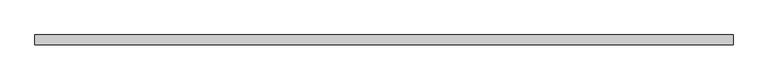
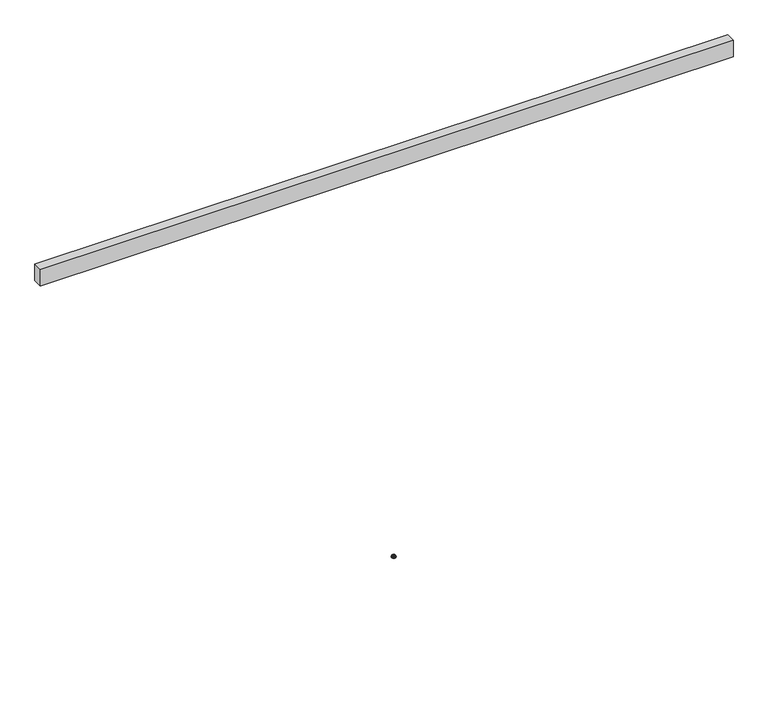
"""IFC4 building model written with IfcOpenShell, lengths in millimetres: furniture geometry."""

from ifc_helpers import new_model, si_unit, frame, origin, place, context, project, spatial, polyline, circle_curve, outline, extrude, source, transform, mapped, element, save
from ifc_brep_helpers import plane_surface, cylinder_surface, revolved_surface, advanced_brep


def furniture_261a2e32(model_context):
    return source(origin(), model_context, "Body", "SolidModel", [
        advanced_brep(
        [(1892.0959925, 0.0, 8.6192084), (1875.6638075, 0.0, 8.6192084), (1877.1725817, 0.0, 8.6192084), (1890.5872183, 0.0, 8.6192084), (1893.7417074, 0.0, 7.9542964), (1874.0180926, 0.0, 7.9542964), (1894.7683395, 0.0, 6.9276644), (1872.9914605, 0.0, 6.9276644), (1895.1290185, 0.0, 5.5815918), (1872.6307815, 0.0, 5.5815918), (1895.1290185, 0.0, 3.5917842), (1872.6307815, 0.0, 3.5917842), (1894.3310956, 0.0, 1.6168555), (1873.4287044, 0.0, 1.6168555), (1892.4778049, 0.0, 0.5457096), (1875.2819951, 0.0, 0.5457096), (1887.7755655, 0.0, 0.1343169), (1879.9842345, 0.0, 0.1343169), (1883.8799, 0.0, 0.1343169), (1890.5872183, 0.0, 12.2513995), (1877.1725817, 0.0, 12.2513995), (1883.8799, 0.0, 12.2513995)],
        [
            (0, 1, circle_curve(frame((1883.8799, 0.0, 8.6192084), z_axis=(0.0, 0.0, 1.0), x_axis=(-1.0, 0.0, 0.0)), 8.2160925)),
            (1, 2),
            (2, 3, circle_curve(frame((1883.8799, 0.0, 8.6192084), z_axis=(0.0, 0.0, -1.0), x_axis=(-1.0, 0.0, 0.0)), 6.7073183)),
            (3, 0),
            (1, 0, circle_curve(frame((1883.8799, 0.0, 8.6192084), z_axis=(0.0, 0.0, 1.0), x_axis=(-1.0, 0.0, 0.0)), 8.2160925)),
            (3, 2, circle_curve(frame((1883.8799, 0.0, 8.6192084), z_axis=(0.0, 0.0, -1.0), x_axis=(-1.0, 0.0, 0.0)), 6.7073183)),
            (4, 5, circle_curve(frame((1883.8799, 0.0, 7.9542964), z_axis=(0.0, 0.0, 1.0), x_axis=(-1.0, 0.0, 0.0)), 9.8618074)),
            (5, 1),
            (0, 4),
            (5, 4, circle_curve(frame((1883.8799, 0.0, 7.9542964), z_axis=(0.0, 0.0, 1.0), x_axis=(-1.0, 0.0, 0.0)), 9.8618074)),
            (6, 7, circle_curve(frame((1883.8799, 0.0, 6.9276644), z_axis=(0.0, 0.0, 1.0), x_axis=(-1.0, 0.0, 0.0)), 10.8884395)),
            (7, 5),
            (4, 6),
            (7, 6, circle_curve(frame((1883.8799, 0.0, 6.9276644), z_axis=(0.0, 0.0, 1.0), x_axis=(-1.0, 0.0, 0.0)), 10.8884395)),
            (8, 9, circle_curve(frame((1883.8799, 0.0, 5.5815918), z_axis=(0.0, 0.0, 1.0), x_axis=(-1.0, 0.0, 0.0)), 11.2491185)),
            (9, 7),
            (6, 8),
            (9, 8, circle_curve(frame((1883.8799, 0.0, 5.5815918), z_axis=(0.0, 0.0, 1.0), x_axis=(-1.0, 0.0, 0.0)), 11.2491185)),
            (10, 11, circle_curve(frame((1883.8799, 0.0, 3.5917842), z_axis=(0.0, 0.0, 1.0), x_axis=(-1.0, 0.0, 0.0)), 11.2491185)),
            (11, 9),
            (8, 10),
            (11, 10, circle_curve(frame((1883.8799, 0.0, 3.5917842), z_axis=(0.0, 0.0, 1.0), x_axis=(-1.0, 0.0, 0.0)), 11.2491185)),
            (12, 13, circle_curve(frame((1883.8799, 0.0, 1.6168555), z_axis=(0.0, 0.0, 1.0), x_axis=(-1.0, 0.0, 0.0)), 10.4511956)),
            (13, 11),
            (10, 12),
            (13, 12, circle_curve(frame((1883.8799, 0.0, 1.6168555), z_axis=(0.0, 0.0, 1.0), x_axis=(-1.0, 0.0, 0.0)), 10.4511956)),
            (14, 15, circle_curve(frame((1883.8799, 0.0, 0.5457096), z_axis=(0.0, 0.0, 1.0), x_axis=(-1.0, 0.0, 0.0)), 8.5979049)),
            (15, 13),
            (12, 14),
            (15, 14, circle_curve(frame((1883.8799, 0.0, 0.5457096), z_axis=(0.0, 0.0, 1.0), x_axis=(-1.0, 0.0, 0.0)), 8.5979049)),
            (16, 17, circle_curve(frame((1883.8799, 0.0, 0.1343169), z_axis=(0.0, 0.0, 1.0), x_axis=(-1.0, 0.0, 0.0)), 3.8956655)),
            (17, 15),
            (14, 16),
            (17, 16, circle_curve(frame((1883.8799, 0.0, 0.1343169), z_axis=(0.0, 0.0, 1.0), x_axis=(-1.0, 0.0, 0.0)), 3.8956655)),
            (18, 17),
            (16, 18),
            (19, 20, circle_curve(frame((1883.8799, 0.0, 12.2513995), z_axis=(0.0, 0.0, 1.0), x_axis=(-1.0, 0.0, 0.0)), 6.7073183)),
            (20, 21),
            (21, 19),
            (20, 19, circle_curve(frame((1883.8799, 0.0, 12.2513995), z_axis=(0.0, 0.0, 1.0), x_axis=(-1.0, 0.0, 0.0)), 6.7073183)),
            (2, 20),
            (19, 3),
        ],
        [
            plane_surface(frame((1883.8799, 0.0, 8.6192084), z_axis=(0.0, 0.0, 1.0), x_axis=(-1.0, 0.0, 0.0))),
            revolved_surface(polyline([(1875.6638075, 0.0, 8.6192084), (1874.0180926, 0.0, 7.9542964)]), (1883.8799, 0.0, 32.4719493), (0.0, 0.0, -1.0)),
            revolved_surface(polyline([(1874.0180926, 0.0, 7.9542964), (1872.9914605, 0.0, 6.9276644)]), (1883.8799, 0.0, 32.4719493), (0.0, 0.0, -1.0)),
            revolved_surface(polyline([(1872.9914605, 0.0, 6.9276644), (1872.6307815, 0.0, 5.5815918)]), (1883.8799, 0.0, 32.4719493), (0.0, 0.0, -1.0)),
            cylinder_surface(frame((1883.8799, 0.0, 32.4719493), z_axis=(0.0, 0.0, -1.0), x_axis=(-1.0, 0.0, 0.0)), 11.2491185),
            revolved_surface(polyline([(1872.6307815, 0.0, 3.5917842), (1873.4287044, 0.0, 1.6168555)]), (1883.8799, 0.0, 32.4719493), (0.0, 0.0, -1.0)),
            revolved_surface(polyline([(1873.4287044, 0.0, 1.6168555), (1875.2819951, 0.0, 0.5457096)]), (1883.8799, 0.0, 32.4719493), (0.0, 0.0, -1.0)),
            revolved_surface(polyline([(1875.2819951, 0.0, 0.5457096), (1879.9842345, 0.0, 0.1343169)]), (1883.8799, 0.0, 32.4719493), (0.0, 0.0, -1.0)),
            plane_surface(frame((1883.8799, 0.0, 0.1343169), z_axis=(0.0, 0.0, -1.0), x_axis=(-1.0, 0.0, 0.0))),
            plane_surface(frame((1883.8799, 0.0, 12.2513995), z_axis=(0.0, 0.0, 1.0), x_axis=(-1.0, 0.0, 0.0))),
            cylinder_surface(frame((1883.8799, 0.0, 32.4719493), z_axis=(0.0, 0.0, -1.0), x_axis=(-1.0, 0.0, 0.0)), 6.7073183),
        ],
        [
            (0, [[1, 2, 3, 4]]),
            (0, [[5, -4, 6, -2]]),
            (1, [[7, 8, -1, 9]]),
            (1, [[10, -9, -5, -8]]),
            (2, [[11, 12, -7, 13]]),
            (2, [[14, -13, -10, -12]]),
            (3, [[15, 16, -11, 17]]),
            (3, [[18, -17, -14, -16]]),
            (4, [[19, 20, -15, 21]]),
            (4, [[22, -21, -18, -20]]),
            (5, [[23, 24, -19, 25]]),
            (5, [[26, -25, -22, -24]]),
            (6, [[27, 28, -23, 29]]),
            (6, [[30, -29, -26, -28]]),
            (7, [[31, 32, -27, 33]]),
            (7, [[34, -33, -30, -32]]),
            (8, [[35, -31, 36]]),
            (8, [[-36, -34, -35]]),
            (9, [[37, 38, 39]]),
            (9, [[40, -39, -38]]),
            (10, [[-3, 41, -37, 42]]),
            (10, [[-6, -42, -40, -41]]),
        ],
    ),
        extrude(outline(polyline([(3666.1598, -25.4), (0.0, -25.4), (0.0, 25.4), (3666.1598, 25.4), (3666.1598, -25.4)])), frame((0.0, 0.0, 2193.163), z_axis=(0.0, 0.0, 1.0), x_axis=(1.0, 0.0, 0.0)), (0.0, 0.0, 1.0), 92.71),
    ])


if __name__ == "__main__":
    model = new_model("IFC4")
    model_context = context("Model", 3, world=origin())
    ifc_project = project(units=[si_unit("LENGTHUNIT", "METRE", prefix="MILLI")], contexts=[model_context])
    site = spatial("IfcSite", under=ifc_project)
    building = spatial("IfcBuilding", under=site)
    placement = place(None, origin())
    furniture_shape = furniture_261a2e32(model_context)
    element("IfcFurniture", 1, at=placement, inside=building, context=model_context, shape_type="MappedRepresentation", body=[
        mapped(furniture_shape, transform((0.0, 0.0, 0.0), x_axis=(1.0, 0.0, 0.0), y_axis=(0.0, 1.0, 0.0), z_axis=(0.0, 0.0, 1.0))),
    ])
    save(model, "model.ifc")
